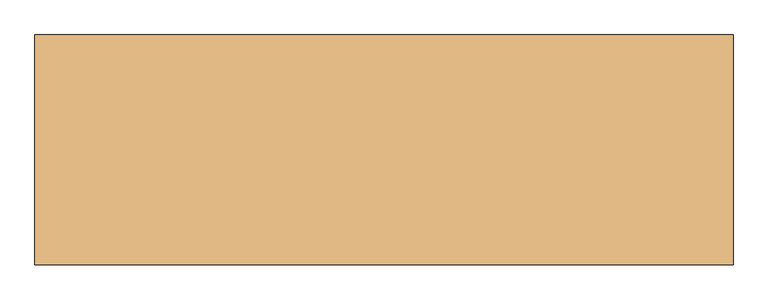
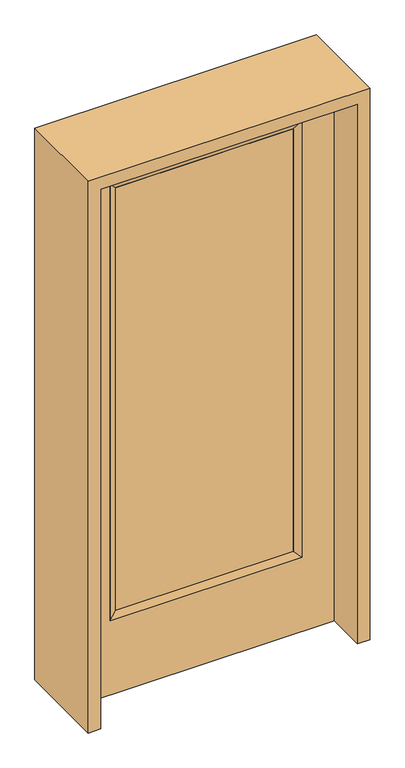
"""IFC4 building model written with IfcOpenShell, lengths in millimetres: door geometry."""

from ifc_helpers import new_model, si_unit, frame, origin, place, context, project, spatial, polyline, outline, extrude, faceted_brep, source, transform, mapped, element, save


def door_defa7d59(model_context):
    return source(origin(), model_context, "Body", "SolidModel", [
        extrude(outline(polyline([(316.3824, -12.7039749), (-316.3824, -12.7039749), (-316.3824, 14.2875), (316.3824, 14.2875), (316.3824, -12.7039749)])), frame((0.0, 0.0, 304.8), z_axis=(0.0, 0.0, 1.0), x_axis=(1.0, 0.0, 0.0)), (0.0, 0.0, 1.0), 1591.1576),
        faceted_brep([(316.3824, 14.2875, 1895.9576), (341.7824, 22.225, 1921.3576), (341.7824, 22.225, 279.4), (316.3824, 14.2875, 304.8), (341.7824, -22.225, 1921.3576), (341.7824, -22.225, 279.4), (-341.7824, 22.225, 279.4), (-316.3824, 14.2875, 304.8), (316.3824, -12.7039749, 1895.9576), (316.3824, -12.7039749, 304.8), (-316.3824, -12.7039749, 304.8), (-341.7824, -22.225, 279.4), (-341.7824, 22.225, 1921.3576), (-316.3824, 14.2875, 1895.9576), (-316.3824, -12.7039749, 1895.9576), (-341.7824, -22.225, 1921.3576)], [[[0, 1, 2, 3]], [[1, 4, 5, 2]], [[3, 2, 6, 7]], [[8, 0, 3, 9]], [[9, 3, 7, 10]], [[4, 8, 9, 5]], [[5, 9, 10, 11]], [[2, 5, 11, 6]], [[7, 6, 12, 13]], [[10, 7, 13, 14]], [[11, 10, 14, 15]], [[6, 11, 15, 12]], [[13, 12, 1, 0]], [[14, 13, 0, 8]], [[15, 14, 8, 4]], [[12, 15, 4, 1]]]),
        extrude(outline(polyline([(0.0, -457.2), (0.0, 457.2), (2032.0, 457.2), (2032.0, -457.2), (0.0, -457.2)]), holes=[polyline([(279.4, -341.7824), (1921.3576, -341.7824), (1921.3576, 341.7824), (279.4, 341.7824), (279.4, -341.7824)])]), frame((0.0, -22.225, 0.0), z_axis=(0.0, 1.0, 0.0), x_axis=(0.0, 0.0, 1.0)), (0.0, 0.0, 1.0), 44.45),
        extrude(outline(polyline([(2076.45, -501.65), (0.0, -501.65), (0.0, -457.2), (2032.0, -457.2), (2032.0, 457.2), (0.0, 457.2), (0.0, 501.65), (2076.45, 501.65), (2076.45, -501.65)])), frame((0.0, -165.1, 0.0), z_axis=(0.0, 1.0, 0.0), x_axis=(0.0, 0.0, 1.0)), (0.0, 0.0, 1.0), 330.2),
    ])


if __name__ == "__main__":
    model = new_model("IFC4")
    model_context = context("Model", 3, world=origin())
    ifc_project = project(units=[si_unit("LENGTHUNIT", "METRE", prefix="MILLI")], contexts=[model_context])
    site = spatial("IfcSite", under=ifc_project)
    building = spatial("IfcBuilding", under=site)
    placement = place(None, origin())
    door_shape = door_defa7d59(model_context)
    element("IfcDoor", 1, at=placement, inside=building, context=model_context, shape_type="MappedRepresentation", body=[
        mapped(door_shape, transform((0.0, 0.0, 0.0), x_axis=(1.0, 0.0, 0.0), y_axis=(0.0, 1.0, 0.0), z_axis=(0.0, 0.0, 1.0))),
    ])
    save(model, "model.ifc")
